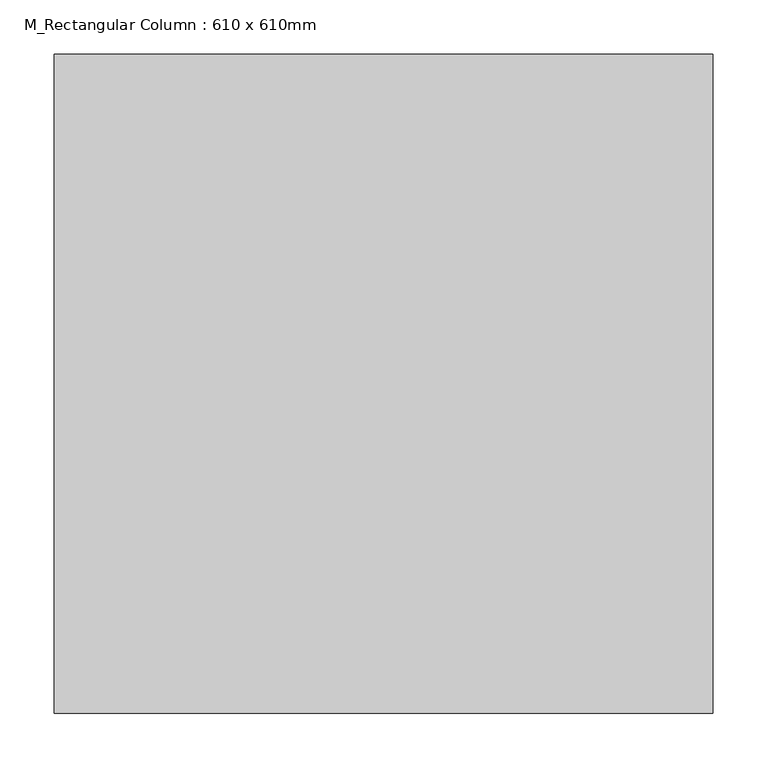
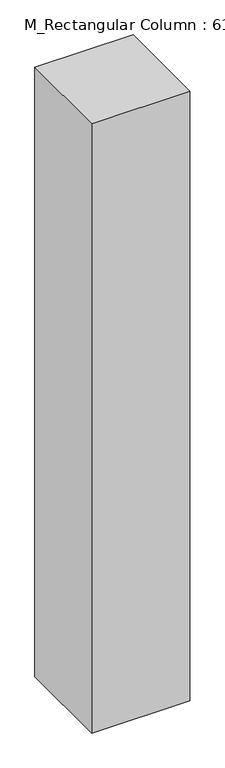
"""IFC4 building model written with IfcOpenShell, lengths in millimetres: column geometry, M_Rectangular Column : 610 x 610mm."""

from ifc_helpers import new_model, si_unit, frame, origin, place, context, project, spatial, polyline, outline, extrude, source, transform, mapped, element, save


def m_rectangular_column_610_x_610mm_52c7bcc4(model_context):
    return source(origin(), model_context, "Body", "SweptSolid", [
        extrude(outline(polyline([(305.0, 305.0), (305.0, -305.0), (-305.0, -305.0), (-305.0, 305.0), (305.0, 305.0)])), frame((0.0, 0.0, 16000.0), z_axis=(0.0, 0.0, 1.0), x_axis=(1.0, 0.0, 0.0)), (0.0, 0.0, 1.0), 4000.0),
    ])


if __name__ == "__main__":
    model = new_model("IFC4")
    model_context = context("Model", 3, world=origin())
    ifc_project = project(units=[si_unit("LENGTHUNIT", "METRE", prefix="MILLI")], contexts=[model_context])
    site = spatial("IfcSite", under=ifc_project)
    building = spatial("IfcBuilding", under=site)
    placement = place(None, origin())
    m_rectangular_column_610_x_610mm_shape = m_rectangular_column_610_x_610mm_52c7bcc4(model_context)
    element("IfcColumn", 1, ObjectType="M_Rectangular Column : 610 x 610mm", at=placement, inside=building, context=model_context, shape_type="MappedRepresentation", body=[
        mapped(m_rectangular_column_610_x_610mm_shape, transform((0.0, 0.0, 0.0), x_axis=(1.0, 0.0, 0.0), y_axis=(0.0, 1.0, 0.0), z_axis=(0.0, 0.0, 1.0))),
    ])
    save(model, "model.ifc")
